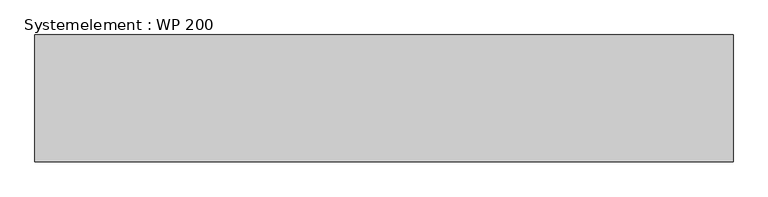
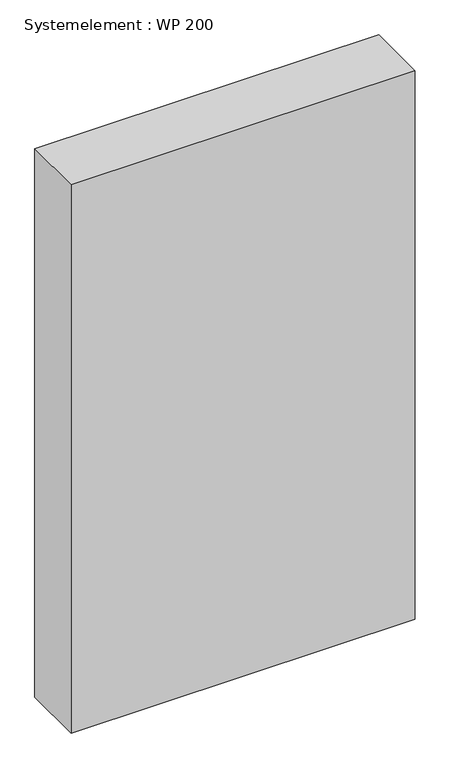
"""IFC4 building model written with IfcOpenShell, lengths in millimetres: plate geometry, Systemelement : WP 200."""

from ifc_helpers import new_model, si_unit, origin, origin_with_axes, place, context, project, spatial, polyline, outline, extrude, source, transform, mapped, element, save


def systemelement_wp_200_4d501b5d(model_context):
    return source(origin(), model_context, "Body", "SweptSolid", [
        extrude(outline(polyline([(550.0, -200.0), (-550.0, -200.0), (-550.0, 0.0), (550.0, 0.0), (550.0, -200.0)])), origin_with_axes(), (0.0, 0.0, 1.0), 1851.6147161),
    ])


if __name__ == "__main__":
    model = new_model("IFC4")
    model_context = context("Model", 3, world=origin())
    ifc_project = project(units=[si_unit("LENGTHUNIT", "METRE", prefix="MILLI")], contexts=[model_context])
    site = spatial("IfcSite", under=ifc_project)
    building = spatial("IfcBuilding", under=site)
    placement = place(None, origin())
    systemelement_wp_200_shape = systemelement_wp_200_4d501b5d(model_context)
    element("IfcPlate", 1, ObjectType="Systemelement : WP 200", at=placement, inside=building, context=model_context, shape_type="MappedRepresentation", body=[
        mapped(systemelement_wp_200_shape, transform((0.0, 0.0, 0.0), x_axis=(1.0, 0.0, 0.0), y_axis=(0.0, 1.0, 0.0), z_axis=(0.0, 0.0, 1.0))),
    ])
    save(model, "model.ifc")
